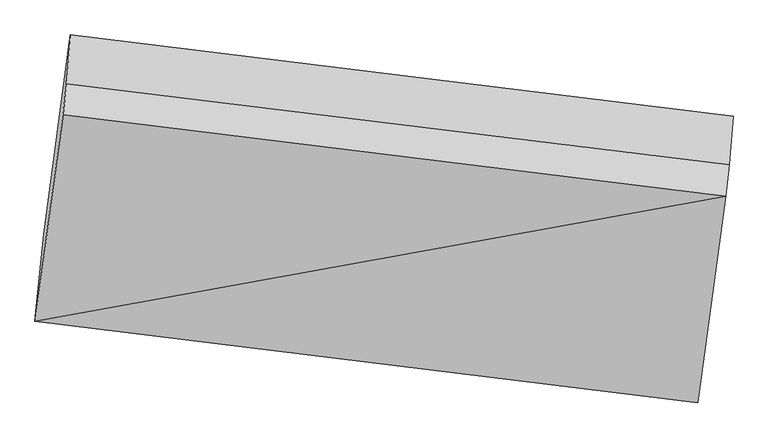
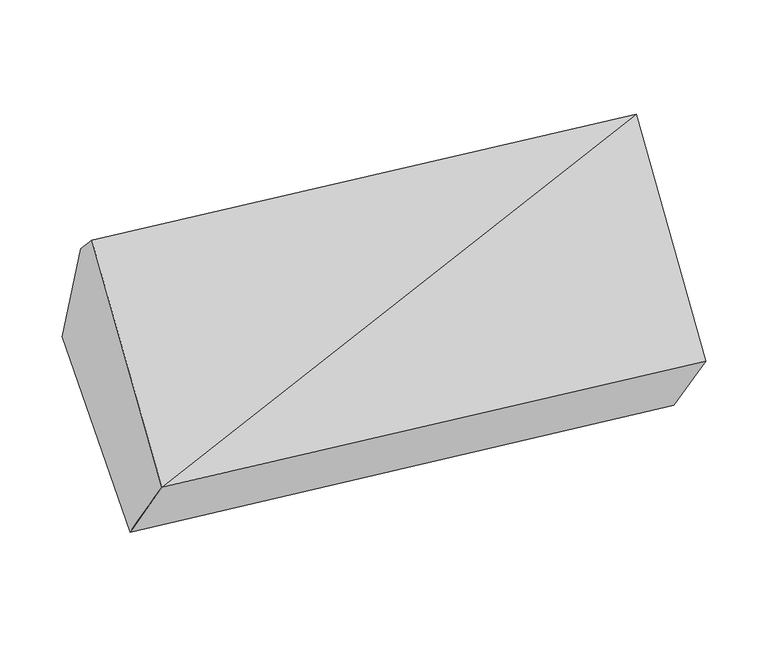
"""IFC4 building model written with IfcOpenShell, lengths in millimetres: proxy geometry."""

from ifc_helpers import new_model, si_unit, frame, origin, place, context, project, spatial, source, transform, mapped, element, save
from ifc_brep_helpers import plane_surface, spline_surface, advanced_brep


def generic_models_b7db65d2(model_context):
    return source(origin(), model_context, "Body", "AdvancedBrep", [
        advanced_brep(
        [(-3826.5253698, -1771.234223, 1809.6881974), (-3801.4279816, -1529.1463745, 1482.2822519), (-1966.1614546, -1750.5946074, 1459.0668173), (-1991.6906992, -1995.9485662, 1784.1814711), (-3748.6184908, -1199.6520836, 2378.3043915), (-1913.7838202, -1424.3664268, 2352.7976652), (-3739.1888506, -1112.575244, 2289.4813846), (-1904.3541801, -1337.2895871, 2263.9746583), (-3728.5494585, -977.9694826, 1868.9523261), (-1893.7147879, -1202.6838258, 1843.4455998)],
        [
            (0, 1),
            (1, 2),
            (2, 3),
            (3, 0),
            (4, 0),
            (0, 5),
            (5, 4),
            (6, 4),
            (5, 7),
            (7, 6),
            (8, 6),
            (7, 9),
            (9, 8),
            (1, 8),
            (9, 2),
            (5, 3),
        ],
        [
            spline_surface(1, 1, [[(-3826.5253698, -1771.234223, 1809.6881974), (-1991.6906992, -1995.9485662, 1784.1814711)], [(-3801.4279816, -1529.1463745, 1482.2822519), (-1966.1614546, -1750.5946074, 1459.0668173)]], [2, 2], [2, 2], [0.0, 1.0], [0.0, 1.0]),
            plane_surface(frame((-3787.5719303, -1485.4431533, 2093.9962945), z_axis=(-0.07559252831857022, -0.6980498040699608, 0.7120479202274911), x_axis=(-0.09618133208584126, -0.7056569622221144, -0.7019953012845959))),
            plane_surface(frame((-3743.9036707, -1156.1136638, 2333.892888), z_axis=(0.09618133208583968, 0.705656962222123, 0.7019953012845875), x_axis=(-0.07559252831856972, -0.6980498040699523, 0.7120479202274994))),
            plane_surface(frame((-3733.8691545, -1045.2723633, 2079.2168553), z_axis=(0.11993669658235462, 0.944640298858243, 0.3054012026595865), x_axis=(-0.024088748251277912, -0.3047621746012155, 0.9521238097747713))),
            plane_surface(frame((-3764.98872, -1253.5579285, 1675.617289), z_axis=(0.05817303522244119, 0.5681667504697064, -0.8208547019014406), x_axis=(0.10761494762536182, 0.8138868600458835, 0.5709704038671733))),
            plane_surface(frame((-1933.9409884, -1542.1766027, 1940.6932423), z_axis=(0.9924892548640509, -0.12155131716829218, -0.013796966117737224), x_axis=(-0.07559252831856972, -0.6980498040699523, 0.7120479202274994))),
            plane_surface(frame((-3768.8620303, -1318.1154815, 1965.7417103), z_axis=(-0.9924892548640492, 0.12155131716831039, 0.013796966117719127), x_axis=(-0.06151929371612328, -0.5934112878631577, 0.8025449644333071))),
            plane_surface(frame((-3826.5253698, -1771.234223, 1809.6881974), z_axis=(-0.07559252831857044, -0.6980498040699609, 0.712047920227491), x_axis=(-0.09618133208584093, -0.7056569622221144, -0.7019953012845959))),
        ],
        [
            (0, [[1, 2, 3, 4]]),
            (1, [[5, 6, 7]]),
            (2, [[8, -7, 9, 10]]),
            (3, [[11, -10, 12, 13]]),
            (4, [[14, -13, 15, -2]]),
            (5, [[-9, 16, -3, -15, -12]]),
            (6, [[-1, -5, -8, -11, -14]]),
            (7, [[-16, -6, -4]]),
        ],
    ),
    ])


if __name__ == "__main__":
    model = new_model("IFC4")
    model_context = context("Model", 3, world=origin())
    ifc_project = project(units=[si_unit("LENGTHUNIT", "METRE", prefix="MILLI")], contexts=[model_context])
    site = spatial("IfcSite", under=ifc_project)
    building = spatial("IfcBuilding", under=site)
    placement = place(None, origin())
    generic_models_shape = generic_models_b7db65d2(model_context)
    element("IfcBuildingElementProxy", 1, Name="Generic Models", at=placement, inside=building, context=model_context, shape_type="MappedRepresentation", body=[
        mapped(generic_models_shape, transform((0.0, 0.0, 0.0), x_axis=(1.0, 0.0, 0.0), y_axis=(0.0, 1.0, 0.0), z_axis=(0.0, 0.0, 1.0))),
    ])
    save(model, "model.ifc")
